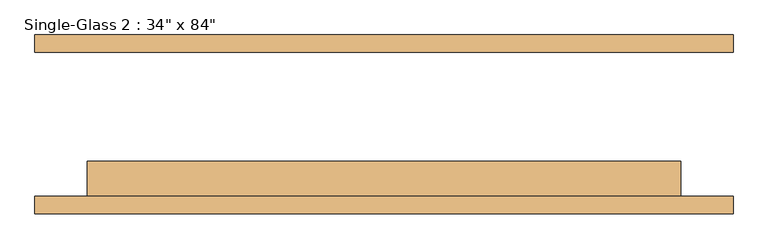
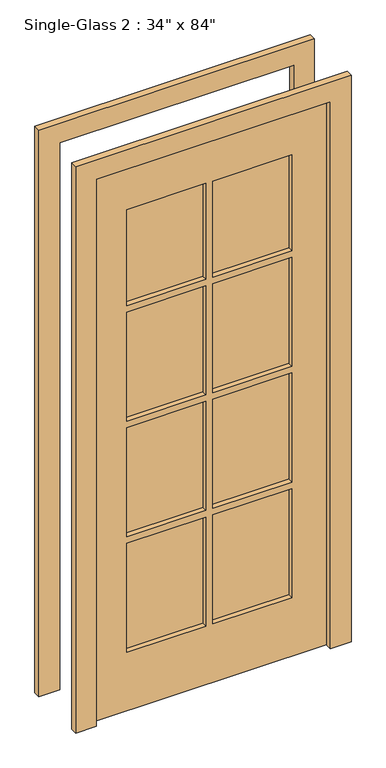
"""IFC4 building model written with IfcOpenShell, lengths in millimetres: door geometry."""

from ifc_helpers import new_model, si_unit, frame, origin, place, context, project, spatial, polyline, outline, extrude, source, transform, mapped, element, save


def door_13a4d727(model_context):
    return source(origin(), model_context, "Body", "SweptSolid", [
        extrude(outline(polyline([(2209.8, 533.4), (2209.8, -482.6), (0.0, -482.6), (0.0, -406.4), (2133.6, -406.4), (2133.6, 457.2), (0.0, 457.2), (0.0, 533.4), (2209.8, 533.4)])), frame((0.0, 104.775, 0.0), z_axis=(0.0, 1.0, 0.0), x_axis=(0.0, 0.0, 1.0)), (0.0, 0.0, 1.0), 25.4),
        extrude(outline(polyline([(2209.8, -482.6), (0.0, -482.6), (0.0, -406.4), (2133.6, -406.4), (2133.6, 457.2), (0.0, 457.2), (0.0, 533.4), (2209.8, 533.4), (2209.8, -482.6)])), frame((0.0, -130.175, 0.0), z_axis=(0.0, 1.0, 0.0), x_axis=(0.0, 0.0, 1.0)), (0.0, 0.0, 1.0), 25.4),
        extrude(outline(polyline([(2133.6, 457.2), (2133.6, -406.4), (0.0, -406.4), (0.0, 457.2), (2133.6, 457.2)]), holes=[polyline([(1955.8, 12.7), (1581.15, 12.7), (1581.15, -279.4), (1955.8, -279.4), (1955.8, 12.7)]), polyline([(1955.8, 330.2), (1581.15, 330.2), (1581.15, 38.1), (1955.8, 38.1), (1955.8, 330.2)]), polyline([(1555.75, 12.7), (1130.3, 12.7), (1130.3, -279.4), (1555.75, -279.4), (1555.75, 12.7)]), polyline([(1555.75, 330.2), (1130.3, 330.2), (1130.3, 38.1), (1555.75, 38.1), (1555.75, 330.2)]), polyline([(1104.9, 12.7), (679.45, 12.7), (679.45, -279.4), (1104.9, -279.4), (1104.9, 12.7)]), polyline([(1104.9, 330.2), (679.45, 330.2), (679.45, 38.1), (1104.9, 38.1), (1104.9, 330.2)]), polyline([(654.05, 12.7), (228.6, 12.7), (228.6, -279.4), (654.05, -279.4), (654.05, 12.7)]), polyline([(654.05, 330.2), (228.6, 330.2), (228.6, 38.1), (654.05, 38.1), (654.05, 330.2)])]), frame((0.0, -104.775, 0.0), z_axis=(0.0, 1.0, 0.0), x_axis=(0.0, 0.0, 1.0)), (0.0, 0.0, 1.0), 50.8),
        extrude(outline(polyline([(12.7, -73.025), (12.7, -85.725), (-279.4, -85.725), (-279.4, -73.025), (12.7, -73.025)])), frame((0.0, 0.0, 1581.15), z_axis=(0.0, 0.0, 1.0), x_axis=(1.0, 0.0, 0.0)), (0.0, 0.0, 1.0), 374.65),
        extrude(outline(polyline([(330.2, -73.025), (330.2, -85.725), (38.1, -85.725), (38.1, -73.025), (330.2, -73.025)])), frame((0.0, 0.0, 1581.15), z_axis=(0.0, 0.0, 1.0), x_axis=(1.0, 0.0, 0.0)), (0.0, 0.0, 1.0), 374.65),
        extrude(outline(polyline([(330.2, -73.025), (330.2, -85.725), (38.1, -85.725), (38.1, -73.025), (330.2, -73.025)])), frame((0.0, 0.0, 1130.3), z_axis=(0.0, 0.0, 1.0), x_axis=(1.0, 0.0, 0.0)), (0.0, 0.0, 1.0), 425.45),
        extrude(outline(polyline([(12.7, -73.025), (12.7, -85.725), (-279.4, -85.725), (-279.4, -73.025), (12.7, -73.025)])), frame((0.0, 0.0, 1130.3), z_axis=(0.0, 0.0, 1.0), x_axis=(1.0, 0.0, 0.0)), (0.0, 0.0, 1.0), 425.45),
        extrude(outline(polyline([(12.7, -73.025), (12.7, -85.725), (-279.4, -85.725), (-279.4, -73.025), (12.7, -73.025)])), frame((0.0, 0.0, 679.45), z_axis=(0.0, 0.0, 1.0), x_axis=(1.0, 0.0, 0.0)), (0.0, 0.0, 1.0), 425.45),
        extrude(outline(polyline([(330.2, -73.025), (330.2, -85.725), (38.1, -85.725), (38.1, -73.025), (330.2, -73.025)])), frame((0.0, 0.0, 679.45), z_axis=(0.0, 0.0, 1.0), x_axis=(1.0, 0.0, 0.0)), (0.0, 0.0, 1.0), 425.45),
        extrude(outline(polyline([(330.2, -73.025), (330.2, -85.725), (38.1, -85.725), (38.1, -73.025), (330.2, -73.025)])), frame((0.0, 0.0, 228.6), z_axis=(0.0, 0.0, 1.0), x_axis=(1.0, 0.0, 0.0)), (0.0, 0.0, 1.0), 425.45),
        extrude(outline(polyline([(12.7, -73.025), (12.7, -85.725), (-279.4, -85.725), (-279.4, -73.025), (12.7, -73.025)])), frame((0.0, 0.0, 228.6), z_axis=(0.0, 0.0, 1.0), x_axis=(1.0, 0.0, 0.0)), (0.0, 0.0, 1.0), 425.45),
    ])


if __name__ == "__main__":
    model = new_model("IFC4")
    model_context = context("Model", 3, world=origin())
    ifc_project = project(units=[si_unit("LENGTHUNIT", "METRE", prefix="MILLI")], contexts=[model_context])
    site = spatial("IfcSite", under=ifc_project)
    building = spatial("IfcBuilding", under=site)
    placement = place(None, origin())
    door_shape = door_13a4d727(model_context)
    element("IfcDoor", 1, ObjectType="Single-Glass 2 : 34\" x 84\"", at=placement, inside=building, context=model_context, shape_type="MappedRepresentation", body=[
        mapped(door_shape, transform((0.0, 0.0, 0.0), x_axis=(1.0, 0.0, 0.0), y_axis=(0.0, 1.0, 0.0), z_axis=(0.0, 0.0, 1.0))),
    ])
    save(model, "model.ifc")
